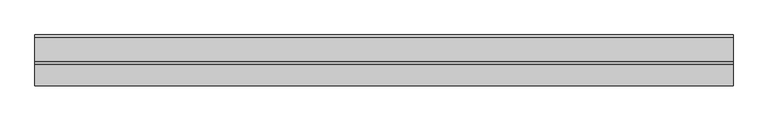
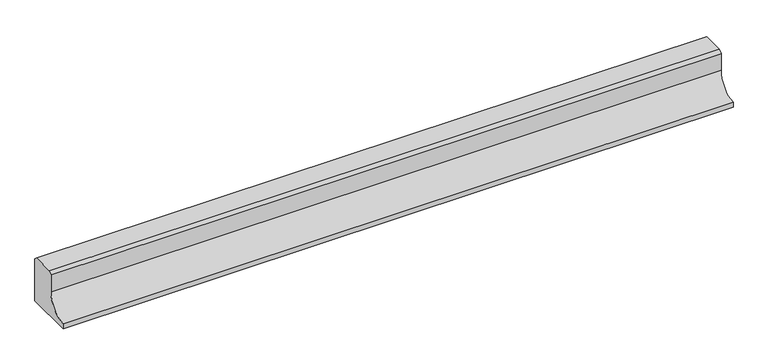
"""IFC4 building model written with IfcOpenShell, lengths in millimetres: proxy geometry."""

from ifc_helpers import new_model, si_unit, point, frame, frame_2d, origin, place, context, project, spatial, polyline, circle_curve, trimmed, segment, composite_curve, outline, extrude, source, transform, mapped, element, save


def generic_models_7e43e6af(model_context):
    return source(origin(), model_context, "Body", "SweptSolid", [
        extrude(outline(composite_curve([segment(polyline([(-10955.0540151, 138.3316546), (-10944.7856698, 148.6), (-10865.3223642, 148.6), (-10855.0540151, 138.3316509), (-10855.0540151, -20.0), (-11030.0540151, -20.0), (-11030.0540151, 0.0)]), True, "CONTINUOUS"), segment(trimmed(circle_curve(frame_2d((-11030.0540151, 75.0)), 75.0), [point((-11030.0540151, 0.0))], [point((-10955.0540151, 75.0))], True, "CARTESIAN"), True, "CONTINUOUS"), segment(polyline([(-10955.0540151, 75.0), (-10955.0540151, 138.3316546)]), True, "CONTINUOUS")], self_intersect=False)), frame((-7962.3579656, 0.0, 0.0), z_axis=(1.0, 0.0, 0.0), x_axis=(0.0, 1.0, 0.0)), (0.0, 0.0, 1.0), 2400.0),
    ])


if __name__ == "__main__":
    model = new_model("IFC4")
    model_context = context("Model", 3, world=origin())
    ifc_project = project(units=[si_unit("LENGTHUNIT", "METRE", prefix="MILLI")], contexts=[model_context])
    site = spatial("IfcSite", under=ifc_project)
    building = spatial("IfcBuilding", under=site)
    placement = place(None, origin())
    generic_models_shape = generic_models_7e43e6af(model_context)
    element("IfcBuildingElementProxy", 1, Name="Generic Models", at=placement, inside=building, context=model_context, shape_type="MappedRepresentation", body=[
        mapped(generic_models_shape, transform((0.0, 0.0, 0.0), x_axis=(1.0, 0.0, 0.0), y_axis=(0.0, 1.0, 0.0), z_axis=(0.0, 0.0, 1.0))),
    ])
    save(model, "model.ifc")
